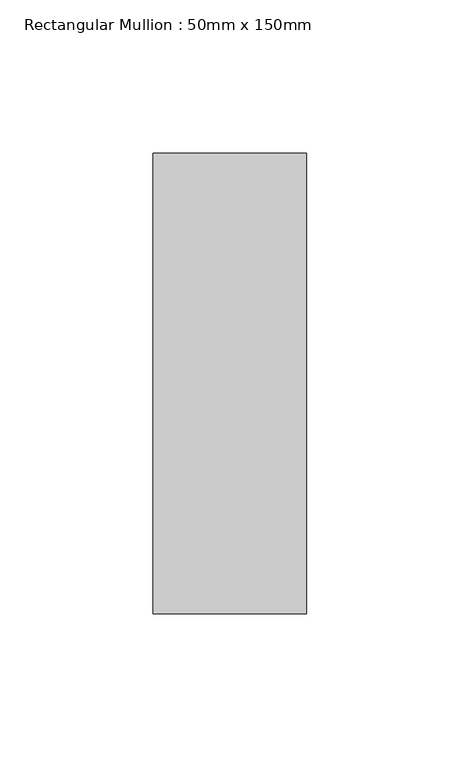
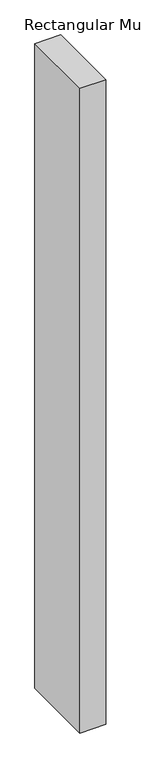
"""IFC4 building model written with IfcOpenShell, lengths in millimetres: member geometry, Rectangular Mullion : 50mm x 150mm."""

from ifc_helpers import new_model, si_unit, frame, origin, place, context, project, spatial, polyline, outline, extrude, source, transform, mapped, element, save


def rectangular_mullion_50mm_x_150mm_e5bc2639(model_context):
    return source(origin(), model_context, "Body", "SweptSolid", [
        extrude(outline(polyline([(25.0, 75.0), (25.0, -75.0), (-25.0, -75.0), (-25.0, 75.0), (25.0, 75.0)])), frame((0.0, 0.0, -1310.8679462), z_axis=(0.0, 0.0, 1.0), x_axis=(1.0, 0.0, 0.0)), (0.0, 0.0, 1.0), 1310.8679462),
    ])


if __name__ == "__main__":
    model = new_model("IFC4")
    model_context = context("Model", 3, world=origin())
    ifc_project = project(units=[si_unit("LENGTHUNIT", "METRE", prefix="MILLI")], contexts=[model_context])
    site = spatial("IfcSite", under=ifc_project)
    building = spatial("IfcBuilding", under=site)
    placement = place(None, origin())
    rectangular_mullion_50mm_x_150mm_shape = rectangular_mullion_50mm_x_150mm_e5bc2639(model_context)
    element("IfcMember", 1, ObjectType="Rectangular Mullion : 50mm x 150mm", at=placement, inside=building, context=model_context, shape_type="MappedRepresentation", body=[
        mapped(rectangular_mullion_50mm_x_150mm_shape, transform((0.0, 0.0, 0.0), x_axis=(1.0, 0.0, 0.0), y_axis=(0.0, 1.0, 0.0), z_axis=(0.0, 0.0, 1.0))),
    ])
    save(model, "model.ifc")
